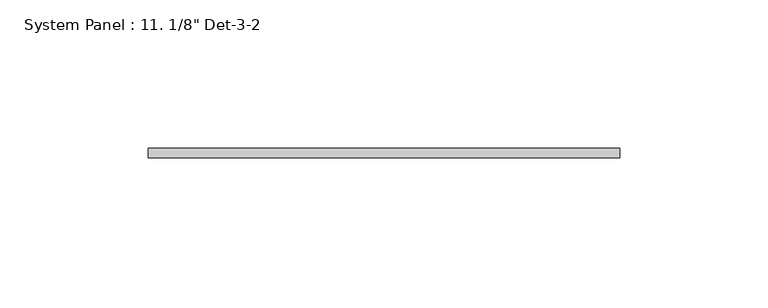
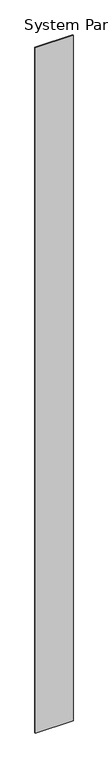
"""IFC4 building model written with IfcOpenShell, lengths in millimetres: plate geometry."""

from ifc_helpers import new_model, si_unit, origin, origin_with_axes, place, context, project, spatial, polyline, outline, extrude, source, transform, mapped, element, save


def plate_cae05ae4(model_context):
    return source(origin(), model_context, "Body", "SweptSolid", [
        extrude(outline(polyline([(79.375, -8.73125), (-79.375, -8.73125), (-79.375, -5.55625), (79.375, -5.55625), (79.375, -8.73125)])), origin_with_axes(), (0.0, 0.0, 1.0), 3048.0),
    ])


if __name__ == "__main__":
    model = new_model("IFC4")
    model_context = context("Model", 3, world=origin())
    ifc_project = project(units=[si_unit("LENGTHUNIT", "METRE", prefix="MILLI")], contexts=[model_context])
    site = spatial("IfcSite", under=ifc_project)
    building = spatial("IfcBuilding", under=site)
    placement = place(None, origin())
    plate_shape = plate_cae05ae4(model_context)
    element("IfcPlate", 1, ObjectType="System Panel : 11. 1/8\" Det-3-2", at=placement, inside=building, context=model_context, shape_type="MappedRepresentation", body=[
        mapped(plate_shape, transform((0.0, 0.0, 0.0), x_axis=(1.0, 0.0, 0.0), y_axis=(0.0, 1.0, 0.0), z_axis=(0.0, 0.0, 1.0))),
    ])
    save(model, "model.ifc")
